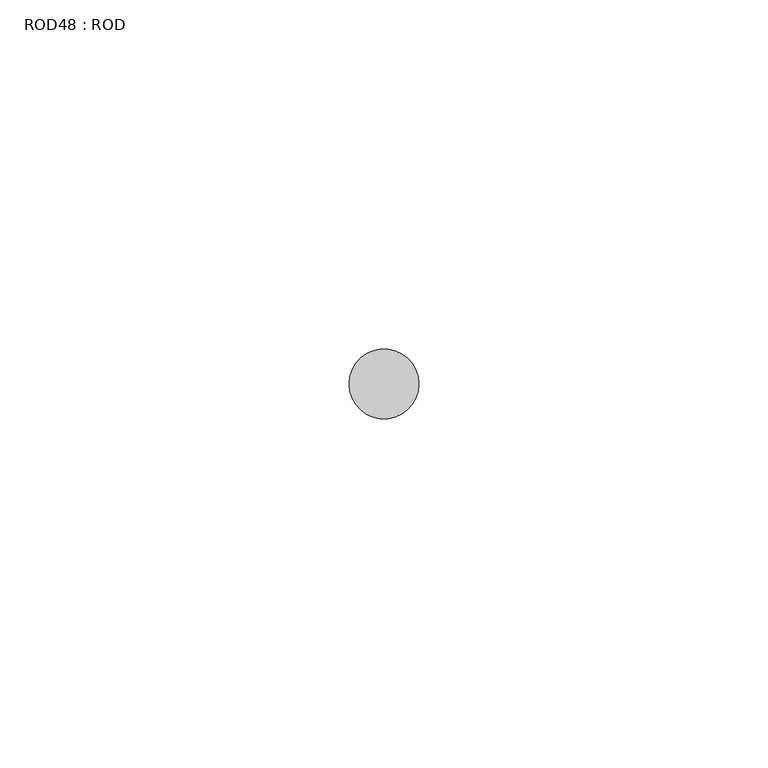
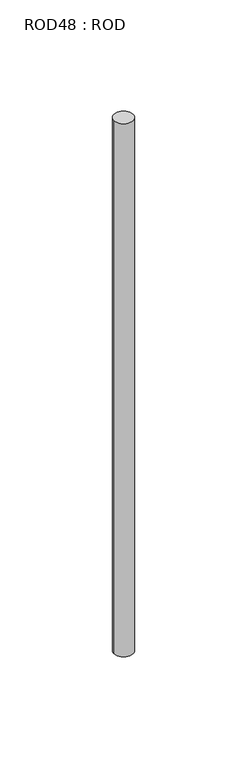
"""IFC4 building model written with IfcOpenShell, lengths in millimetres: proxy geometry, ROD48 : ROD."""

from ifc_helpers import new_model, si_unit, point, frame, frame_2d, origin, place, context, project, spatial, circle_curve, trimmed, segment, composite_curve, outline, extrude, source, transform, mapped, element, save


def rod48_rod_f574c9bc(model_context):
    return source(origin(), model_context, "Body", "SweptSolid", [
        extrude(outline(composite_curve([segment(trimmed(circle_curve(frame_2d((3679.7673324, -1114.6300853)), 5.0), [point((3674.7673324, -1114.6300853))], [point((3684.7673324, -1114.6300853))], False, "CARTESIAN"), True, "CONTINUOUS"), segment(trimmed(circle_curve(frame_2d((3679.7673324, -1114.6300853)), 5.0), [point((3684.7673324, -1114.6300853))], [point((3674.7673324, -1114.6300853))], False, "CARTESIAN"), True, "CONTINUOUS")], self_intersect=False)), frame((0.0, 0.0, -208.6608845), z_axis=(0.0, 0.0, 1.0), x_axis=(1.0, 0.0, 0.0)), (0.0, 0.0, 1.0), 298.9028972),
    ])


if __name__ == "__main__":
    model = new_model("IFC4")
    model_context = context("Model", 3, world=origin())
    ifc_project = project(units=[si_unit("LENGTHUNIT", "METRE", prefix="MILLI")], contexts=[model_context])
    site = spatial("IfcSite", under=ifc_project)
    building = spatial("IfcBuilding", under=site)
    placement = place(None, origin())
    rod48_rod_shape = rod48_rod_f574c9bc(model_context)
    element("IfcBuildingElementProxy", 1, Name="ROD48 : ROD", ObjectType="ROD48 : ROD", at=placement, inside=building, context=model_context, shape_type="MappedRepresentation", body=[
        mapped(rod48_rod_shape, transform((0.0, 0.0, 0.0), x_axis=(1.0, 0.0, 0.0), y_axis=(0.0, 1.0, 0.0), z_axis=(0.0, 0.0, 1.0))),
    ])
    save(model, "model.ifc")
